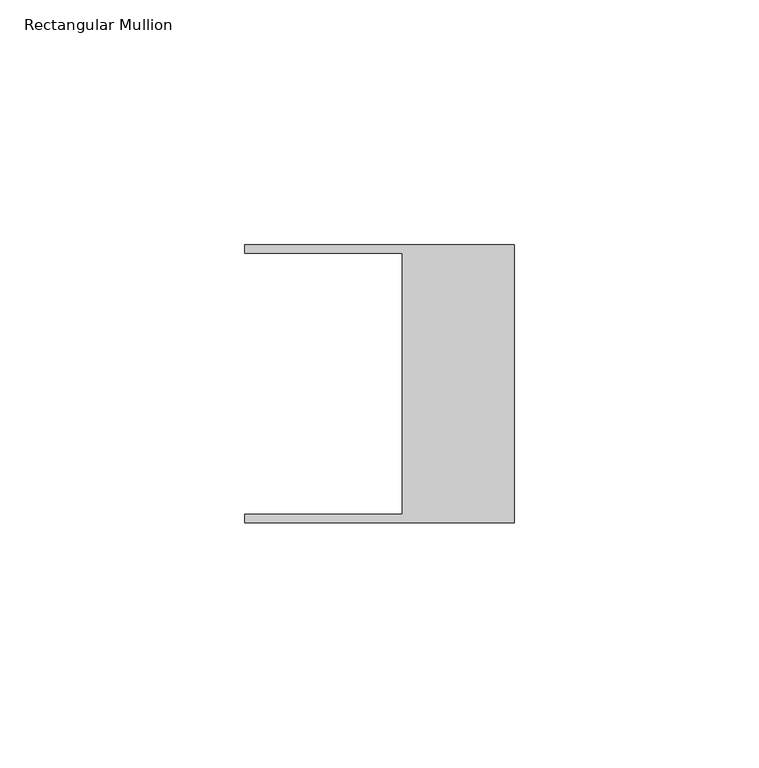
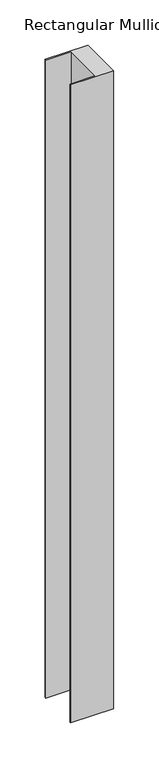
"""IFC4 building model written with IfcOpenShell, lengths in millimetres: member geometry, Rectangular Mullion."""

from ifc_helpers import new_model, si_unit, frame, origin, place, context, project, spatial, polyline, outline, extrude, source, transform, mapped, element, save


def rectangular_mullion_187a39f9(model_context):
    return source(origin(), model_context, "Body", "SweptSolid", [
        extrude(outline(polyline([(-55.118, -26.67), (-22.86, -26.67), (-22.86, 26.67), (-55.118, 26.67), (-55.118, 28.448), (0.0, 28.448), (0.0, -28.448), (-55.118, -28.448), (-55.118, -26.67)])), frame((0.0, 0.0, -861.9785316), z_axis=(0.0, 0.0, 1.0), x_axis=(1.0, 0.0, 0.0)), (0.0, 0.0, 1.0), 861.9785316),
    ])


if __name__ == "__main__":
    model = new_model("IFC4")
    model_context = context("Model", 3, world=origin())
    ifc_project = project(units=[si_unit("LENGTHUNIT", "METRE", prefix="MILLI")], contexts=[model_context])
    site = spatial("IfcSite", under=ifc_project)
    building = spatial("IfcBuilding", under=site)
    placement = place(None, origin())
    rectangular_mullion_shape = rectangular_mullion_187a39f9(model_context)
    element("IfcMember", 1, ObjectType="Rectangular Mullion", at=placement, inside=building, context=model_context, shape_type="MappedRepresentation", body=[
        mapped(rectangular_mullion_shape, transform((0.0, 0.0, 0.0), x_axis=(1.0, 0.0, 0.0), y_axis=(0.0, 1.0, 0.0), z_axis=(0.0, 0.0, 1.0))),
    ])
    save(model, "model.ifc")
